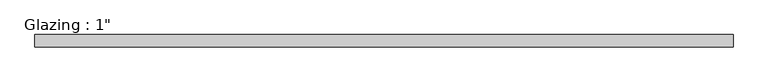
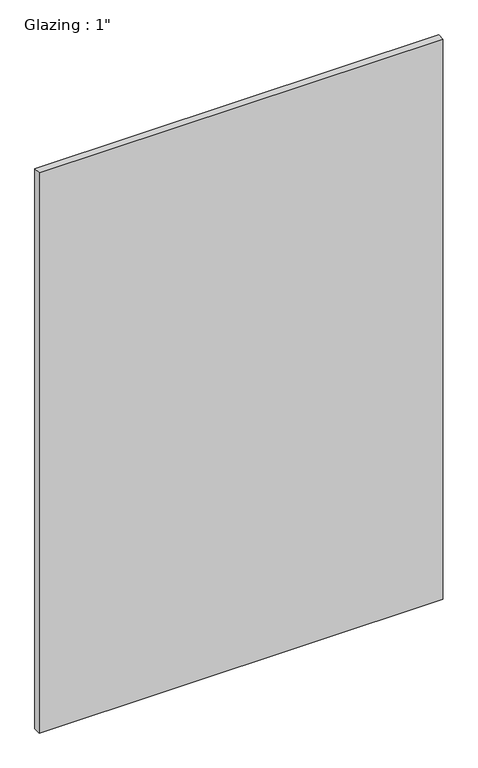
"""IFC4 building model written with IfcOpenShell, lengths in millimetres: plate geometry."""

import ifcopenshell
import ifcopenshell.guid

model = None  # the IFC model being written
_history = None  # IfcOwnerHistory: only IFC2X3 demands one
_inside = {}  # id of a spatial element -> (the spatial element, [elements in it])
_under = {}  # id of a project, library or spatial element -> (it, [spatial elements below it])
_declared = {}  # id of a project -> (the project, [libraries it declares])
_typed = {}  # id of a type object -> (the type object, [elements of that type])
_made_of = {}  # id of a material, layer set ... -> (it, [elements and type objects made of it])


def new_model(schema):
    """Start an empty IFC model of exactly this schema.

    Asked for "IFC4X3", IfcOpenShell would pick the latest addendum, in which some entities
    have other attributes; the version numbers below select the first issue.
    IFC2X3 requires an IfcOwnerHistory on every rooted entity: one is made here for all.
    """
    global model, _history
    if schema == "IFC4X3":
        model = ifcopenshell.file(schema_version=(4, 3, 0, 0))
    else:
        model = ifcopenshell.file(schema=schema)
    _inside.clear()
    _under.clear()
    _declared.clear()
    _typed.clear()
    _made_of.clear()
    _history = None
    if model.schema == "IFC2X3":
        org = make("IfcOrganization", Name="unknown")
        user = make(
            "IfcPersonAndOrganization",
            ThePerson=make("IfcPerson", FamilyName="unknown"),
            TheOrganization=org,
        )
        app = make(
            "IfcApplication",
            ApplicationDeveloper=org,
            Version="unknown",
            ApplicationFullName="unknown",
            ApplicationIdentifier="unknown",
        )
        _history = make(
            "IfcOwnerHistory",
            OwningUser=user,
            OwningApplication=app,
            ChangeAction="ADDED",
            CreationDate=0,
        )
    return model


def make(cls, **values):
    """One entity of the class cls with the attributes given. An attribute that is None is left unset."""
    return model.create_entity(
        cls, **{name: value for name, value in values.items() if value is not None}
    )


def rooted(cls, **values):
    """An entity with a GlobalId (a new one), such as an element, a storey or a relation."""
    return make(cls, GlobalId=ifcopenshell.guid.new(), OwnerHistory=_history, **values)


def si_unit(unit_type, name, prefix=None):
    """IfcSIUnit, for example si_unit("LENGTHUNIT", "METRE", prefix="MILLI")."""
    return make("IfcSIUnit", UnitType=unit_type, Prefix=prefix, Name=name)


def assignment(units):
    """IfcUnitAssignment: the units of a project."""
    return None if units is None else make("IfcUnitAssignment", Units=units)


def point(xyz):
    """IfcCartesianPoint."""
    return None if xyz is None else make("IfcCartesianPoint", Coordinates=xyz)


def direction(xyz):
    """IfcDirection."""
    return None if xyz is None else make("IfcDirection", DirectionRatios=xyz)


def frame(location, z_axis=None, x_axis=None):
    """IfcAxis2Placement3D, a coordinate frame: its origin and axes. An axis left out is left unset."""
    return make(
        "IfcAxis2Placement3D",
        Location=point(location),
        Axis=direction(z_axis),
        RefDirection=direction(x_axis),
    )


def origin():
    """The frame at (0, 0, 0) with its axes left unset."""
    return frame((0.0, 0.0, 0.0))


def origin_with_axes():
    """The frame at (0, 0, 0) with the z axis (0, 0, 1) and the x axis (1, 0, 0) written out."""
    return frame((0.0, 0.0, 0.0), z_axis=(0.0, 0.0, 1.0), x_axis=(1.0, 0.0, 0.0))


def place(relative_to, where):
    """IfcLocalPlacement: puts the frame where relative to a parent placement (None: the world)."""
    return make(
        "IfcLocalPlacement", PlacementRelTo=relative_to, RelativePlacement=where
    )


def context(
    kind, dimensions, precision=None, world=None, true_north=None, identifier=None
):
    """IfcGeometricRepresentationContext, for example the 3D "Model" context."""
    return make(
        "IfcGeometricRepresentationContext",
        ContextIdentifier=identifier,
        ContextType=kind,
        CoordinateSpaceDimension=dimensions,
        Precision=precision,
        WorldCoordinateSystem=world,
        TrueNorth=true_north,
    )


def project(units=None, contexts=None):
    """IfcProject with its units and contexts."""
    return rooted(
        "IfcProject",
        Name="project",
        RepresentationContexts=contexts,
        UnitsInContext=assignment(units),
    )


def spatial(cls, under=None, at=None, **own):
    """A site, building, storey or space (cls), placed at a placement, below another one or the project."""
    s = rooted(cls, ObjectPlacement=at, **own)
    if under is not None:
        _under.setdefault(under.id(), (under, []))[1].append(s)
    return s


def polyline(points):
    """IfcPolyline through the points."""
    return make("IfcPolyline", Points=[point(p) for p in points])


def outline(outer, holes=None, kind="AREA"):
    """IfcArbitraryClosedProfileDef: a profile drawn as a closed curve; with holes, ...WithVoids."""
    if holes is None:
        return make("IfcArbitraryClosedProfileDef", ProfileType=kind, OuterCurve=outer)
    return make(
        "IfcArbitraryProfileDefWithVoids",
        ProfileType=kind,
        OuterCurve=outer,
        InnerCurves=holes,
    )


def extrude(swept, where, along, depth):
    """IfcExtrudedAreaSolid: the profile swept, set in the frame where, extruded along a direction by depth."""
    return make(
        "IfcExtrudedAreaSolid",
        SweptArea=swept,
        Position=where,
        ExtrudedDirection=direction(along),
        Depth=depth,
    )


def shape(context_of_items, identifier, shape_type, items):
    """IfcShapeRepresentation: the items that make up one representation, for example the "Body"."""
    return make(
        "IfcShapeRepresentation",
        ContextOfItems=context_of_items,
        RepresentationIdentifier=identifier,
        RepresentationType=shape_type,
        Items=items,
    )


def source(mapping_origin, context_of_items, identifier, shape_type, items):
    """IfcRepresentationMap: a shape defined once, which mapped items show again and again."""
    return make(
        "IfcRepresentationMap",
        MappingOrigin=mapping_origin,
        MappedRepresentation=shape(context_of_items, identifier, shape_type, items),
    )


def transform(
    local_origin,
    x_axis=None,
    y_axis=None,
    z_axis=None,
    scale=None,
    scale2=None,
    scale3=None,
    uniform=True,
):
    """IfcCartesianTransformationOperator3D, or its non-uniform kind. x_axis, y_axis, z_axis: its Axis1, 2, 3."""
    if uniform:
        return make(
            "IfcCartesianTransformationOperator3D",
            Axis1=direction(x_axis),
            Axis2=direction(y_axis),
            LocalOrigin=point(local_origin),
            Scale=scale,
            Axis3=direction(z_axis),
        )
    return make(
        "IfcCartesianTransformationOperator3DnonUniform",
        Axis1=direction(x_axis),
        Axis2=direction(y_axis),
        LocalOrigin=point(local_origin),
        Scale=scale,
        Axis3=direction(z_axis),
        Scale2=scale2,
        Scale3=scale3,
    )


def mapped(mapping_source, mapping_target):
    """IfcMappedItem: shows the shape of a source again, moved by a transform."""
    return make(
        "IfcMappedItem", MappingSource=mapping_source, MappingTarget=mapping_target
    )


def made_of(thing, what):
    """Note that an element or type object is made of a material, layer set ...; save() writes the relation."""
    if what is not None:
        _made_of.setdefault(what.id(), (what, []))[1].append(thing)
    return thing


def element(
    cls,
    number,
    at=None,
    inside=None,
    cuts=None,
    type_object=None,
    material=None,
    context=None,
    identifier="Body",
    shape_type=None,
    held_by="IfcProductDefinitionShape",
    body=None,
    shapes=None,
    **own,
):
    """One element of the class cls, such as IfcWall. Its Tag is "e" and its number.

    at: its placement. inside: the storey or other place that contains it. cuts: it is an
    opening in that element (IfcRelVoidsElement). A single representation is given by context,
    identifier, shape_type and body (its items); several are given by shapes. held_by: the class
    of the entity that holds the representations. save() writes the other relations.
    """
    e = rooted(cls, Tag="e%d" % number, ObjectPlacement=at, **own)
    if body is not None:
        shapes = [shape(context, identifier, shape_type, body)]
    if shapes is not None:
        e.Representation = make(held_by, Representations=shapes)
    if inside is not None:
        _inside.setdefault(inside.id(), (inside, []))[1].append(e)
    if cuts is not None:
        rooted(
            "IfcRelVoidsElement", RelatingBuildingElement=cuts, RelatedOpeningElement=e
        )
    if type_object is not None:
        _typed.setdefault(type_object.id(), (type_object, []))[1].append(e)
    return made_of(e, material)


def aggregate(whole, parts):
    """IfcRelAggregates: a whole, such as a stair, and the parts it consists of."""
    return rooted("IfcRelAggregates", RelatingObject=whole, RelatedObjects=parts)


def save(model, path):
    """Write the relations noted so far, then the file.

    IfcRelAggregates (storeys below a building ...), IfcRelContainedInSpatialStructure (elements
    in a storey), IfcRelDefinesByType, IfcRelAssociatesMaterial and IfcRelDeclares: one each for
    every whole, place, type object, material and project.
    """
    for whole, parts in _under.values():
        aggregate(whole, parts)
    for where, things in _inside.values():
        rooted(
            "IfcRelContainedInSpatialStructure",
            RelatedElements=things,
            RelatingStructure=where,
        )
    for kind, things in _typed.values():
        rooted("IfcRelDefinesByType", RelatedObjects=things, RelatingType=kind)
    for what, things in _made_of.values():
        rooted("IfcRelAssociatesMaterial", RelatedObjects=things, RelatingMaterial=what)
    for by, libraries in _declared.values():
        rooted("IfcRelDeclares", RelatingContext=by, RelatedDefinitions=libraries)
    model.write(path)


def plate_7a818ce8(model_context):
    return source(origin(), model_context, "Body", "SweptSolid", [
        extrude(outline(polyline([(713.8330765, 12.7), (713.8330765, -12.7), (-713.8330765, -12.7), (-713.8330765, 12.7), (713.8330765, 12.7)])), origin_with_axes(), (0.0, 0.0, 1.0), 2094.5430277),
    ])


if __name__ == "__main__":
    model = new_model("IFC4")
    model_context = context("Model", 3, world=origin())
    ifc_project = project(units=[si_unit("LENGTHUNIT", "METRE", prefix="MILLI")], contexts=[model_context])
    site = spatial("IfcSite", under=ifc_project)
    building = spatial("IfcBuilding", under=site)
    placement = place(None, origin())
    plate_shape = plate_7a818ce8(model_context)
    element("IfcPlate", 1, ObjectType="Glazing : 1\"", at=placement, inside=building, context=model_context, shape_type="MappedRepresentation", body=[
        mapped(plate_shape, transform((0.0, 0.0, 0.0), x_axis=(1.0, 0.0, 0.0), y_axis=(0.0, 1.0, 0.0), z_axis=(0.0, 0.0, 1.0))),
    ])
    save(model, "model.ifc")
